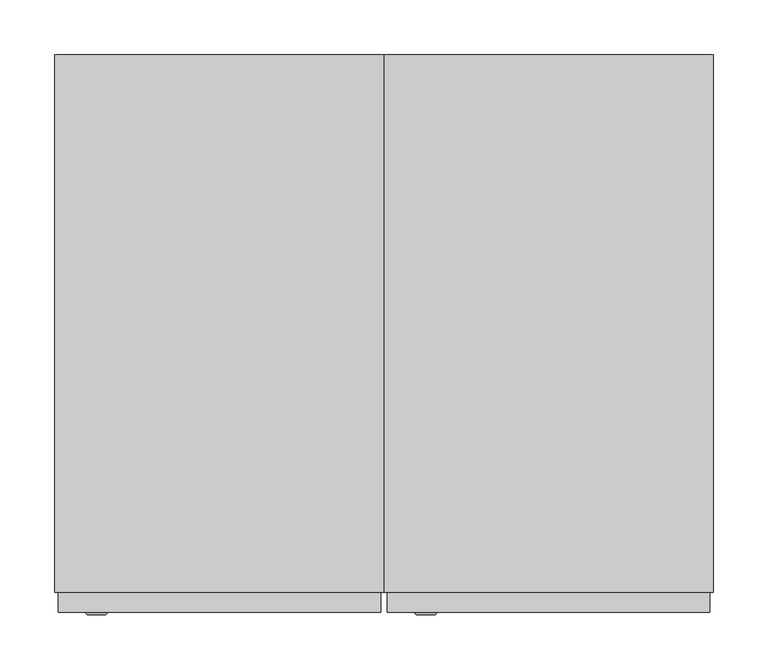
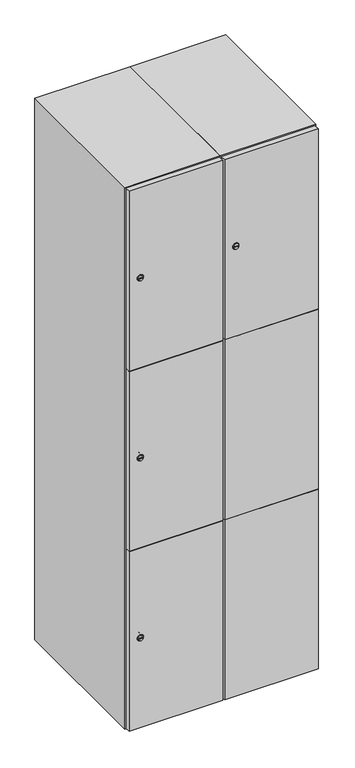
"""IFC4 building model written with IfcOpenShell, lengths in millimetres: furniture geometry."""

from ifc_helpers import new_model, si_unit, point, frame, frame_2d, origin, place, context, project, spatial, polyline, circle_curve, trimmed, segment, composite_curve, outline, extrude, faceted_brep, source, transform, mapped, element, save
from ifc_brep_helpers import plane_surface, revolved_surface, advanced_brep


def furniture_2743ca4b(model_context):
    return source(origin(), model_context, "Body", "SolidModel", [
        extrude(outline(composite_curve([segment(trimmed(circle_curve(frame_2d((1598.0, 111.2010534)), 7.0), [point((1605.0, 111.2010534))], [point((1591.0, 111.2010534))], False, "CARTESIAN"), True, "CONTINUOUS"), segment(polyline([(1591.0, 111.2010534), (1591.0, 139.2010534)]), True, "CONTINUOUS"), segment(trimmed(circle_curve(frame_2d((1598.0, 139.2010534)), 7.0), [point((1591.0, 139.2010534))], [point((1605.0, 139.2010534))], False, "CARTESIAN"), True, "CONTINUOUS"), segment(polyline([(1605.0, 139.2010534), (1605.0, 111.2010534)]), True, "CONTINUOUS")], self_intersect=False)), frame((0.0, -245.0, 0.0), z_axis=(0.0, 1.0, 0.0), x_axis=(0.0, 0.0, 1.0)), (0.0, 0.0, 1.0), 2.0),
        advanced_brep(
        [(146.5, -265.2, 1598.0), (129.5, -265.2, 1598.0), (133.0, -265.2, 1596.75), (133.0, -265.2, 1599.25), (143.0, -265.2, 1599.25), (143.0, -265.2, 1596.75), (148.5, -263.0, 1598.0), (127.5, -263.0, 1598.0), (133.0, -263.0, 1599.25), (133.0, -263.0, 1596.75), (143.0, -263.0, 1596.75), (143.0, -263.0, 1599.25)],
        [
            (0, 1, circle_curve(frame((138.0, -265.2, 1598.0), z_axis=(0.0, -1.0, 0.0), x_axis=(1.0, 0.0, 0.0)), 8.5)),
            (1, 0, circle_curve(frame((138.0, -265.2, 1598.0), z_axis=(0.0, -1.0, 0.0), x_axis=(-1.0, 0.0, 0.0)), 8.5)),
            (2, 3),
            (3, 4),
            (4, 5),
            (5, 2),
            (6, 7, circle_curve(frame((138.0, -263.0, 1598.0), z_axis=(0.0, 1.0, 0.0), x_axis=(-1.0, 0.0, 0.0)), 10.5)),
            (7, 6, circle_curve(frame((138.0, -263.0, 1598.0), z_axis=(0.0, 1.0, 0.0), x_axis=(1.0, 0.0, 0.0)), 10.5)),
            (8, 9),
            (9, 10),
            (10, 11),
            (11, 8),
            (0, 6),
            (7, 1),
            (8, 3),
            (2, 9),
            (11, 4),
            (10, 5),
        ],
        [
            plane_surface(frame((138.0, -265.2, 1598.0), z_axis=(0.0, -1.0, 0.0), x_axis=(0.0, 0.0, 1.0))),
            plane_surface(frame((138.0, -263.0, 1598.0), z_axis=(0.0, 1.0, 0.0), x_axis=(0.0, 0.0, 1.0))),
            revolved_surface(polyline([(146.5, -265.2, 1598.0), (148.5, -263.0, 1598.0)]), (138.0, -274.55, 1598.0), (0.0, 1.0, 0.0)),
            revolved_surface(polyline([(129.5, -265.2, 1598.0), (127.5, -263.0, 1598.0)]), (138.0, -274.55, 1598.0), (0.0, 1.0, 0.0)),
            plane_surface(frame((133.0, -263.0, 1596.75), z_axis=(1.0, 0.0, 0.0), x_axis=(0.0, -1.0, 0.0))),
            plane_surface(frame((133.0, -263.0, 1599.25), z_axis=(0.0, 0.0, -1.0), x_axis=(0.0, -1.0, 0.0))),
            plane_surface(frame((143.0, -263.0, 1599.25), z_axis=(-1.0, 0.0, 0.0), x_axis=(0.0, -1.0, 0.0))),
            plane_surface(frame((143.0, -263.0, 1596.75), z_axis=(0.0, 0.0, 1.0), x_axis=(0.0, -1.0, 0.0))),
        ],
        [
            (0, [[1, 2], [3, 4, 5, 6]]),
            (1, [[7, 8], [9, 10, 11, 12]]),
            (2, [[-1, 13, -8, 14]]),
            (3, [[-2, -14, -7, -13]]),
            (4, [[15, -3, 16, -9]]),
            (5, [[-15, -12, 17, -4]]),
            (6, [[-17, -11, 18, -5]]),
            (7, [[-16, -6, -18, -10]]),
        ],
    ),
        extrude(outline(polyline([(397.0, -245.0), (397.0, -263.0), (103.0, -263.0), (103.0, -245.0), (397.0, -245.0)])), frame((0.0, 0.0, 701.5), z_axis=(0.0, 0.0, 1.0), x_axis=(1.0, 0.0, 0.0)), (0.0, 0.0, 1.0), 597.0),
        extrude(outline(polyline([(103.0, -263.0), (103.0, -245.0), (397.0, -245.0), (397.0, -263.0), (103.0, -263.0)])), frame((0.0, 0.0, 1299.5), z_axis=(0.0, 0.0, 1.0), x_axis=(1.0, 0.0, 0.0)), (0.0, 0.0, 1.0), 597.5),
        extrude(outline(polyline([(397.0, -245.0), (397.0, -263.0), (103.0, -263.0), (103.0, -245.0), (397.0, -245.0)])), frame((0.0, 0.0, 103.0), z_axis=(0.0, 0.0, 1.0), x_axis=(1.0, 0.0, 0.0)), (0.0, 0.0, 1.0), 597.5),
        extrude(outline(polyline([(382.0, 227.0), (382.0, -227.0), (118.0, -227.0), (118.0, 227.0), (382.0, 227.0)])), frame((0.0, 0.0, 1285.0), z_axis=(0.0, 0.0, 1.0), x_axis=(1.0, 0.0, 0.0)), (0.0, 0.0, 1.0), 18.0),
        extrude(outline(polyline([(118.0, 227.0), (382.0, 227.0), (382.0, -227.0), (118.0, -227.0), (118.0, 227.0)])), frame((0.0, 0.0, 697.0), z_axis=(0.0, 0.0, 1.0), x_axis=(1.0, 0.0, 0.0)), (0.0, 0.0, 1.0), 18.0),
        faceted_brep([(400.0, -245.0, 100.0), (400.0, -245.0, 1900.0), (100.0, -245.0, 1900.0), (100.0, -245.0, 100.0), (382.0, -245.0, 1882.0), (382.0, -245.0, 118.0), (118.0, -245.0, 118.0), (118.0, -245.0, 1882.0), (400.0, 245.0, 100.0), (100.0, 245.0, 100.0), (400.0, 245.0, 1900.0), (100.0, 245.0, 1900.0), (382.0, 227.0, 1882.0), (382.0, 227.0, 118.0), (100.0, 245.0, 1882.0), (118.0, 227.0, 1882.0), (118.0, 227.0, 118.0)], [[[0, 1, 2, 3], [4, 5, 6, 7]], [[8, 0, 3, 9]], [[1, 0, 8, 10]], [[1, 10, 11, 2]], [[4, 12, 13, 5]], [[9, 3, 2, 11, 14]], [[10, 8, 9, 14, 11]], [[12, 15, 16, 13]], [[15, 7, 6, 16]], [[4, 7, 15, 12]], [[6, 5, 13, 16]]]),
        extrude(outline(composite_curve([segment(trimmed(circle_curve(frame_2d((402.0, -188.7989466)), 7.0), [point((409.0, -188.7989466))], [point((395.0, -188.7989466))], False, "CARTESIAN"), True, "CONTINUOUS"), segment(polyline([(395.0, -188.7989466), (395.0, -160.7989466)]), True, "CONTINUOUS"), segment(trimmed(circle_curve(frame_2d((402.0, -160.7989466)), 7.0), [point((395.0, -160.7989466))], [point((409.0, -160.7989466))], False, "CARTESIAN"), True, "CONTINUOUS"), segment(polyline([(409.0, -160.7989466), (409.0, -188.7989466)]), True, "CONTINUOUS")], self_intersect=False)), frame((0.0, -245.0, 0.0), z_axis=(0.0, 1.0, 0.0), x_axis=(0.0, 0.0, 1.0)), (0.0, 0.0, 1.0), 2.0),
        advanced_brep(
        [(-153.5, -265.2, 402.0), (-170.5, -265.2, 402.0), (-167.0, -265.2, 400.75), (-167.0, -265.2, 403.25), (-157.0, -265.2, 403.25), (-157.0, -265.2, 400.75), (-151.5, -263.0, 402.0), (-172.5, -263.0, 402.0), (-167.0, -263.0, 403.25), (-167.0, -263.0, 400.75), (-157.0, -263.0, 400.75), (-157.0, -263.0, 403.25)],
        [
            (0, 1, circle_curve(frame((-162.0, -265.2, 402.0), z_axis=(0.0, -1.0, 0.0), x_axis=(1.0, 0.0, 0.0)), 8.5)),
            (1, 0, circle_curve(frame((-162.0, -265.2, 402.0), z_axis=(0.0, -1.0, 0.0), x_axis=(-1.0, 0.0, 0.0)), 8.5)),
            (2, 3),
            (3, 4),
            (4, 5),
            (5, 2),
            (6, 7, circle_curve(frame((-162.0, -263.0, 402.0), z_axis=(0.0, 1.0, 0.0), x_axis=(-1.0, 0.0, 0.0)), 10.5)),
            (7, 6, circle_curve(frame((-162.0, -263.0, 402.0), z_axis=(0.0, 1.0, 0.0), x_axis=(1.0, 0.0, 0.0)), 10.5)),
            (8, 9),
            (9, 10),
            (10, 11),
            (11, 8),
            (0, 6),
            (7, 1),
            (8, 3),
            (2, 9),
            (11, 4),
            (10, 5),
        ],
        [
            plane_surface(frame((-162.0, -265.2, 402.0), z_axis=(0.0, -1.0, 0.0), x_axis=(0.0, 0.0, 1.0))),
            plane_surface(frame((-162.0, -263.0, 402.0), z_axis=(0.0, 1.0, 0.0), x_axis=(0.0, 0.0, 1.0))),
            revolved_surface(polyline([(-153.5, -265.2, 402.0), (-151.5, -263.0, 402.0)]), (-162.0, -274.55, 402.0), (0.0, 1.0, 0.0)),
            revolved_surface(polyline([(-170.5, -265.2, 402.0), (-172.5, -263.0, 402.0)]), (-162.0, -274.55, 402.0), (0.0, 1.0, 0.0)),
            plane_surface(frame((-167.0, -263.0, 400.75), z_axis=(1.0, 0.0, 0.0), x_axis=(0.0, -1.0, 0.0))),
            plane_surface(frame((-167.0, -263.0, 403.25), z_axis=(0.0, 0.0, -1.0), x_axis=(0.0, -1.0, 0.0))),
            plane_surface(frame((-157.0, -263.0, 403.25), z_axis=(-1.0, 0.0, 0.0), x_axis=(0.0, -1.0, 0.0))),
            plane_surface(frame((-157.0, -263.0, 400.75), z_axis=(0.0, 0.0, 1.0), x_axis=(0.0, -1.0, 0.0))),
        ],
        [
            (0, [[1, 2], [3, 4, 5, 6]]),
            (1, [[7, 8], [9, 10, 11, 12]]),
            (2, [[-1, 13, -8, 14]]),
            (3, [[-2, -14, -7, -13]]),
            (4, [[15, -3, 16, -9]]),
            (5, [[-15, -12, 17, -4]]),
            (6, [[-17, -11, 18, -5]]),
            (7, [[-16, -6, -18, -10]]),
        ],
    ),
        extrude(outline(composite_curve([segment(trimmed(circle_curve(frame_2d((1000.0, -188.7989466)), 7.0), [point((1007.0, -188.7989466))], [point((993.0, -188.7989466))], False, "CARTESIAN"), True, "CONTINUOUS"), segment(polyline([(993.0, -188.7989466), (993.0, -160.7989466)]), True, "CONTINUOUS"), segment(trimmed(circle_curve(frame_2d((1000.0, -160.7989466)), 7.0), [point((993.0, -160.7989466))], [point((1007.0, -160.7989466))], False, "CARTESIAN"), True, "CONTINUOUS"), segment(polyline([(1007.0, -160.7989466), (1007.0, -188.7989466)]), True, "CONTINUOUS")], self_intersect=False)), frame((0.0, -245.0, 0.0), z_axis=(0.0, 1.0, 0.0), x_axis=(0.0, 0.0, 1.0)), (0.0, 0.0, 1.0), 2.0),
        advanced_brep(
        [(-153.5, -265.2, 1000.0), (-170.5, -265.2, 1000.0), (-167.0, -265.2, 998.75), (-167.0, -265.2, 1001.25), (-157.0, -265.2, 1001.25), (-157.0, -265.2, 998.75), (-151.5, -263.0, 1000.0), (-172.5, -263.0, 1000.0), (-167.0, -263.0, 1001.25), (-167.0, -263.0, 998.75), (-157.0, -263.0, 998.75), (-157.0, -263.0, 1001.25)],
        [
            (0, 1, circle_curve(frame((-162.0, -265.2, 1000.0), z_axis=(0.0, -1.0, 0.0), x_axis=(1.0, 0.0, 0.0)), 8.5)),
            (1, 0, circle_curve(frame((-162.0, -265.2, 1000.0), z_axis=(0.0, -1.0, 0.0), x_axis=(-1.0, 0.0, 0.0)), 8.5)),
            (2, 3),
            (3, 4),
            (4, 5),
            (5, 2),
            (6, 7, circle_curve(frame((-162.0, -263.0, 1000.0), z_axis=(0.0, 1.0, 0.0), x_axis=(-1.0, 0.0, 0.0)), 10.5)),
            (7, 6, circle_curve(frame((-162.0, -263.0, 1000.0), z_axis=(0.0, 1.0, 0.0), x_axis=(1.0, 0.0, 0.0)), 10.5)),
            (8, 9),
            (9, 10),
            (10, 11),
            (11, 8),
            (0, 6),
            (7, 1),
            (8, 3),
            (2, 9),
            (11, 4),
            (10, 5),
        ],
        [
            plane_surface(frame((-162.0, -265.2, 1000.0), z_axis=(0.0, -1.0, 0.0), x_axis=(0.0, 0.0, 1.0))),
            plane_surface(frame((-162.0, -263.0, 1000.0), z_axis=(0.0, 1.0, 0.0), x_axis=(0.0, 0.0, 1.0))),
            revolved_surface(polyline([(-153.5, -265.2, 1000.0), (-151.5, -263.0, 1000.0)]), (-162.0, -274.55, 1000.0), (0.0, 1.0, 0.0)),
            revolved_surface(polyline([(-170.5, -265.2, 1000.0), (-172.5, -263.0, 1000.0)]), (-162.0, -274.55, 1000.0), (0.0, 1.0, 0.0)),
            plane_surface(frame((-167.0, -263.0, 998.75), z_axis=(1.0, 0.0, 0.0), x_axis=(0.0, -1.0, 0.0))),
            plane_surface(frame((-167.0, -263.0, 1001.25), z_axis=(0.0, 0.0, -1.0), x_axis=(0.0, -1.0, 0.0))),
            plane_surface(frame((-157.0, -263.0, 1001.25), z_axis=(-1.0, 0.0, 0.0), x_axis=(0.0, -1.0, 0.0))),
            plane_surface(frame((-157.0, -263.0, 998.75), z_axis=(0.0, 0.0, 1.0), x_axis=(0.0, -1.0, 0.0))),
        ],
        [
            (0, [[1, 2], [3, 4, 5, 6]]),
            (1, [[7, 8], [9, 10, 11, 12]]),
            (2, [[-1, 13, -8, 14]]),
            (3, [[-2, -14, -7, -13]]),
            (4, [[15, -3, 16, -9]]),
            (5, [[-15, -12, 17, -4]]),
            (6, [[-17, -11, 18, -5]]),
            (7, [[-16, -6, -18, -10]]),
        ],
    ),
        extrude(outline(composite_curve([segment(trimmed(circle_curve(frame_2d((1598.0, -188.7989466)), 7.0), [point((1605.0, -188.7989466))], [point((1591.0, -188.7989466))], False, "CARTESIAN"), True, "CONTINUOUS"), segment(polyline([(1591.0, -188.7989466), (1591.0, -160.7989466)]), True, "CONTINUOUS"), segment(trimmed(circle_curve(frame_2d((1598.0, -160.7989466)), 7.0), [point((1591.0, -160.7989466))], [point((1605.0, -160.7989466))], False, "CARTESIAN"), True, "CONTINUOUS"), segment(polyline([(1605.0, -160.7989466), (1605.0, -188.7989466)]), True, "CONTINUOUS")], self_intersect=False)), frame((0.0, -245.0, 0.0), z_axis=(0.0, 1.0, 0.0), x_axis=(0.0, 0.0, 1.0)), (0.0, 0.0, 1.0), 2.0),
        advanced_brep(
        [(-153.5, -265.2, 1598.0), (-170.5, -265.2, 1598.0), (-167.0, -265.2, 1596.75), (-167.0, -265.2, 1599.25), (-157.0, -265.2, 1599.25), (-157.0, -265.2, 1596.75), (-151.5, -263.0, 1598.0), (-172.5, -263.0, 1598.0), (-167.0, -263.0, 1599.25), (-167.0, -263.0, 1596.75), (-157.0, -263.0, 1596.75), (-157.0, -263.0, 1599.25)],
        [
            (0, 1, circle_curve(frame((-162.0, -265.2, 1598.0), z_axis=(0.0, -1.0, 0.0), x_axis=(1.0, 0.0, 0.0)), 8.5)),
            (1, 0, circle_curve(frame((-162.0, -265.2, 1598.0), z_axis=(0.0, -1.0, 0.0), x_axis=(-1.0, 0.0, 0.0)), 8.5)),
            (2, 3),
            (3, 4),
            (4, 5),
            (5, 2),
            (6, 7, circle_curve(frame((-162.0, -263.0, 1598.0), z_axis=(0.0, 1.0, 0.0), x_axis=(-1.0, 0.0, 0.0)), 10.5)),
            (7, 6, circle_curve(frame((-162.0, -263.0, 1598.0), z_axis=(0.0, 1.0, 0.0), x_axis=(1.0, 0.0, 0.0)), 10.5)),
            (8, 9),
            (9, 10),
            (10, 11),
            (11, 8),
            (0, 6),
            (7, 1),
            (8, 3),
            (2, 9),
            (11, 4),
            (10, 5),
        ],
        [
            plane_surface(frame((-162.0, -265.2, 1598.0), z_axis=(0.0, -1.0, 0.0), x_axis=(0.0, 0.0, 1.0))),
            plane_surface(frame((-162.0, -263.0, 1598.0), z_axis=(0.0, 1.0, 0.0), x_axis=(0.0, 0.0, 1.0))),
            revolved_surface(polyline([(-153.5, -265.2, 1598.0), (-151.5, -263.0, 1598.0)]), (-162.0, -274.55, 1598.0), (0.0, 1.0, 0.0)),
            revolved_surface(polyline([(-170.5, -265.2, 1598.0), (-172.5, -263.0, 1598.0)]), (-162.0, -274.55, 1598.0), (0.0, 1.0, 0.0)),
            plane_surface(frame((-167.0, -263.0, 1596.75), z_axis=(1.0, 0.0, 0.0), x_axis=(0.0, -1.0, 0.0))),
            plane_surface(frame((-167.0, -263.0, 1599.25), z_axis=(0.0, 0.0, -1.0), x_axis=(0.0, -1.0, 0.0))),
            plane_surface(frame((-157.0, -263.0, 1599.25), z_axis=(-1.0, 0.0, 0.0), x_axis=(0.0, -1.0, 0.0))),
            plane_surface(frame((-157.0, -263.0, 1596.75), z_axis=(0.0, 0.0, 1.0), x_axis=(0.0, -1.0, 0.0))),
        ],
        [
            (0, [[1, 2], [3, 4, 5, 6]]),
            (1, [[7, 8], [9, 10, 11, 12]]),
            (2, [[-1, 13, -8, 14]]),
            (3, [[-2, -14, -7, -13]]),
            (4, [[15, -3, 16, -9]]),
            (5, [[-15, -12, 17, -4]]),
            (6, [[-17, -11, 18, -5]]),
            (7, [[-16, -6, -18, -10]]),
        ],
    ),
        extrude(outline(polyline([(97.0, -245.0), (97.0, -263.0), (-197.0, -263.0), (-197.0, -245.0), (97.0, -245.0)])), frame((0.0, 0.0, 701.5), z_axis=(0.0, 0.0, 1.0), x_axis=(1.0, 0.0, 0.0)), (0.0, 0.0, 1.0), 597.0),
        extrude(outline(polyline([(-197.0, -263.0), (-197.0, -245.0), (97.0, -245.0), (97.0, -263.0), (-197.0, -263.0)])), frame((0.0, 0.0, 1299.5), z_axis=(0.0, 0.0, 1.0), x_axis=(1.0, 0.0, 0.0)), (0.0, 0.0, 1.0), 597.5),
        extrude(outline(polyline([(97.0, -245.0), (97.0, -263.0), (-197.0, -263.0), (-197.0, -245.0), (97.0, -245.0)])), frame((0.0, 0.0, 103.0), z_axis=(0.0, 0.0, 1.0), x_axis=(1.0, 0.0, 0.0)), (0.0, 0.0, 1.0), 597.5),
        extrude(outline(polyline([(82.0, 227.0), (82.0, -227.0), (-182.0, -227.0), (-182.0, 227.0), (82.0, 227.0)])), frame((0.0, 0.0, 1285.0), z_axis=(0.0, 0.0, 1.0), x_axis=(1.0, 0.0, 0.0)), (0.0, 0.0, 1.0), 18.0),
        extrude(outline(polyline([(-182.0, 227.0), (82.0, 227.0), (82.0, -227.0), (-182.0, -227.0), (-182.0, 227.0)])), frame((0.0, 0.0, 697.0), z_axis=(0.0, 0.0, 1.0), x_axis=(1.0, 0.0, 0.0)), (0.0, 0.0, 1.0), 18.0),
        faceted_brep([(100.0, -245.0, 100.0), (100.0, -245.0, 1900.0), (-200.0, -245.0, 1900.0), (-200.0, -245.0, 100.0), (82.0, -245.0, 1882.0), (82.0, -245.0, 118.0), (-182.0, -245.0, 118.0), (-182.0, -245.0, 1882.0), (100.0, 245.0, 100.0), (-200.0, 245.0, 100.0), (100.0, 245.0, 1900.0), (-200.0, 245.0, 1900.0), (82.0, 227.0, 1882.0), (82.0, 227.0, 118.0), (-200.0, 245.0, 1882.0), (-182.0, 227.0, 1882.0), (-182.0, 227.0, 118.0)], [[[0, 1, 2, 3], [4, 5, 6, 7]], [[8, 0, 3, 9]], [[1, 0, 8, 10]], [[1, 10, 11, 2]], [[4, 12, 13, 5]], [[9, 3, 2, 11, 14]], [[10, 8, 9, 14, 11]], [[12, 15, 16, 13]], [[15, 7, 6, 16]], [[4, 7, 15, 12]], [[6, 5, 13, 16]]]),
    ])


if __name__ == "__main__":
    model = new_model("IFC4")
    model_context = context("Model", 3, world=origin())
    ifc_project = project(units=[si_unit("LENGTHUNIT", "METRE", prefix="MILLI")], contexts=[model_context])
    site = spatial("IfcSite", under=ifc_project)
    building = spatial("IfcBuilding", under=site)
    placement = place(None, origin())
    furniture_shape = furniture_2743ca4b(model_context)
    element("IfcFurniture", 1, at=placement, inside=building, context=model_context, shape_type="MappedRepresentation", body=[
        mapped(furniture_shape, transform((0.0, 0.0, 0.0), x_axis=(1.0, 0.0, 0.0), y_axis=(0.0, 1.0, 0.0), z_axis=(0.0, 0.0, 1.0))),
    ])
    save(model, "model.ifc")
